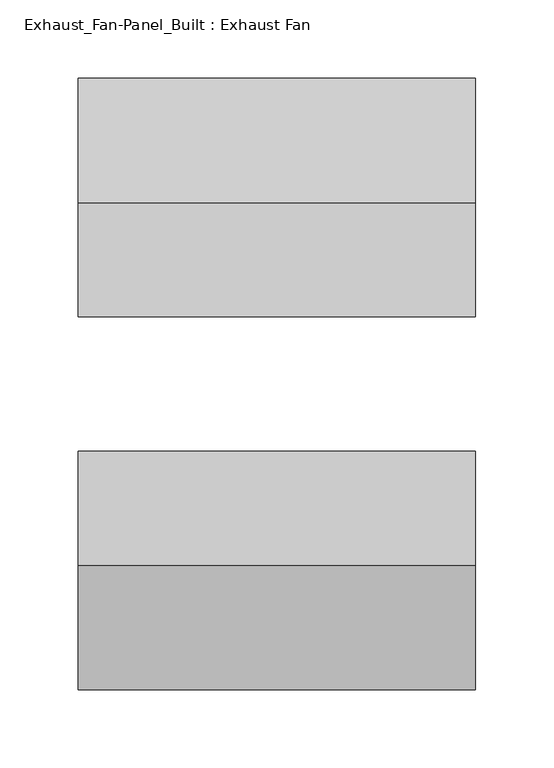
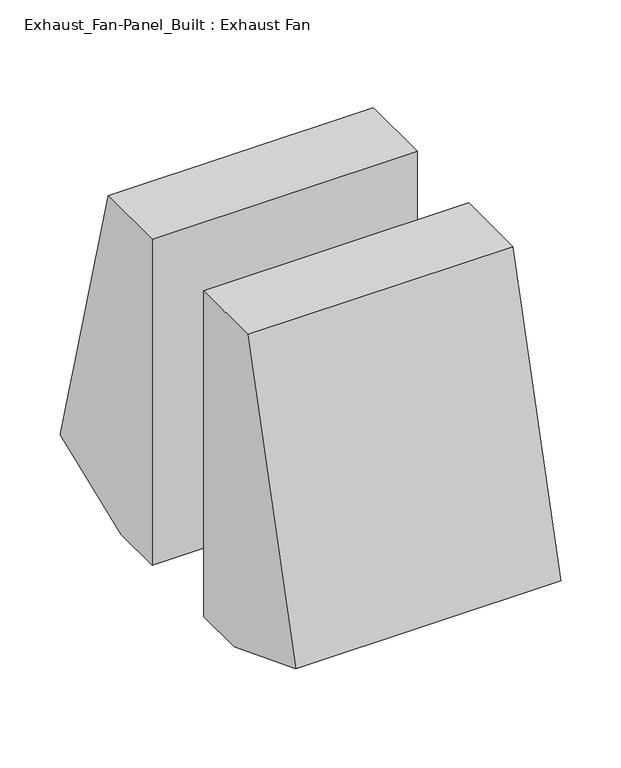
"""IFC4 building model written with IfcOpenShell, lengths in millimetres: proxy geometry, Exhaust_Fan-Panel_Built : Exhaust Fan."""

from ifc_helpers import new_model, si_unit, frame, origin, place, context, project, spatial, polyline, outline, extrude, source, transform, mapped, element, save


def exhaust_fan_panel_built_exhaust_fan_70821ef1(model_context):
    return source(origin(), model_context, "Body", "SweptSolid", [
        extrude(outline(polyline([(-152.4, 39.6651988), (-73.025, 330.2), (0.0, 330.2), (0.0, 0.0), (-50.8, 0.0), (-152.4, 39.6651988)])), frame((-127.0, 0.0, 0.0), z_axis=(1.0, 0.0, 0.0), x_axis=(0.0, 1.0, 0.0)), (0.0, 0.0, 1.0), 254.0),
        extrude(outline(polyline([(238.125, 39.6651988), (136.525, 0.0), (85.725, 0.0), (85.725, 330.2), (158.75, 330.2), (238.125, 39.6651988)])), frame((-127.0, 0.0, 0.0), z_axis=(1.0, 0.0, 0.0), x_axis=(0.0, 1.0, 0.0)), (0.0, 0.0, 1.0), 254.0),
    ])


if __name__ == "__main__":
    model = new_model("IFC4")
    model_context = context("Model", 3, world=origin())
    ifc_project = project(units=[si_unit("LENGTHUNIT", "METRE", prefix="MILLI")], contexts=[model_context])
    site = spatial("IfcSite", under=ifc_project)
    building = spatial("IfcBuilding", under=site)
    placement = place(None, origin())
    exhaust_fan_panel_built_exhaust_fan_shape = exhaust_fan_panel_built_exhaust_fan_70821ef1(model_context)
    element("IfcBuildingElementProxy", 1, Name="Exhaust_Fan-Panel_Built : Exhaust Fan", ObjectType="Exhaust_Fan-Panel_Built : Exhaust Fan", at=placement, inside=building, context=model_context, shape_type="MappedRepresentation", body=[
        mapped(exhaust_fan_panel_built_exhaust_fan_shape, transform((0.0, 0.0, 0.0), x_axis=(1.0, 0.0, 0.0), y_axis=(0.0, 1.0, 0.0), z_axis=(0.0, 0.0, 1.0))),
    ])
    save(model, "model.ifc")
